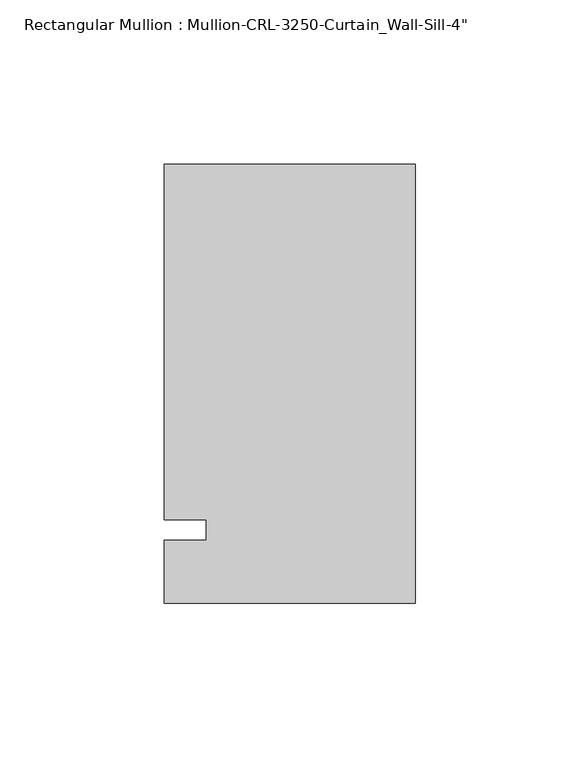
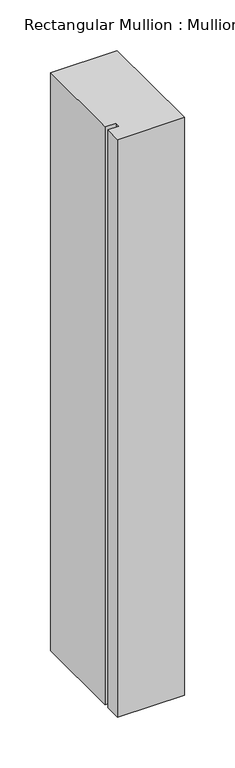
"""IFC4 building model written with IfcOpenShell, lengths in millimetres: member geometry."""

from ifc_helpers import new_model, si_unit, frame, origin, place, context, project, spatial, polyline, outline, extrude, source, transform, mapped, element, save


def member_848d538a(model_context):
    return source(origin(), model_context, "Body", "SweptSolid", [
        extrude(outline(polyline([(-76.199997, -3.175), (-63.499997, -3.175), (-63.499997, 3.175), (-76.199997, 3.175), (-76.199997, 111.1245832), (0.0, 111.1245832), (0.0, -22.2254168), (-76.199997, -22.2254168), (-76.199997, -3.175)])), frame((0.0, 0.0, -698.3166731), z_axis=(0.0, 0.0, 1.0), x_axis=(1.0, 0.0, 0.0)), (0.0, 0.0, 1.0), 698.3166731),
    ])


if __name__ == "__main__":
    model = new_model("IFC4")
    model_context = context("Model", 3, world=origin())
    ifc_project = project(units=[si_unit("LENGTHUNIT", "METRE", prefix="MILLI")], contexts=[model_context])
    site = spatial("IfcSite", under=ifc_project)
    building = spatial("IfcBuilding", under=site)
    placement = place(None, origin())
    member_shape = member_848d538a(model_context)
    element("IfcMember", 1, ObjectType="Rectangular Mullion : Mullion-CRL-3250-Curtain_Wall-Sill-4\"", at=placement, inside=building, context=model_context, shape_type="MappedRepresentation", body=[
        mapped(member_shape, transform((0.0, 0.0, 0.0), x_axis=(1.0, 0.0, 0.0), y_axis=(0.0, 1.0, 0.0), z_axis=(0.0, 0.0, 1.0))),
    ])
    save(model, "model.ifc")
